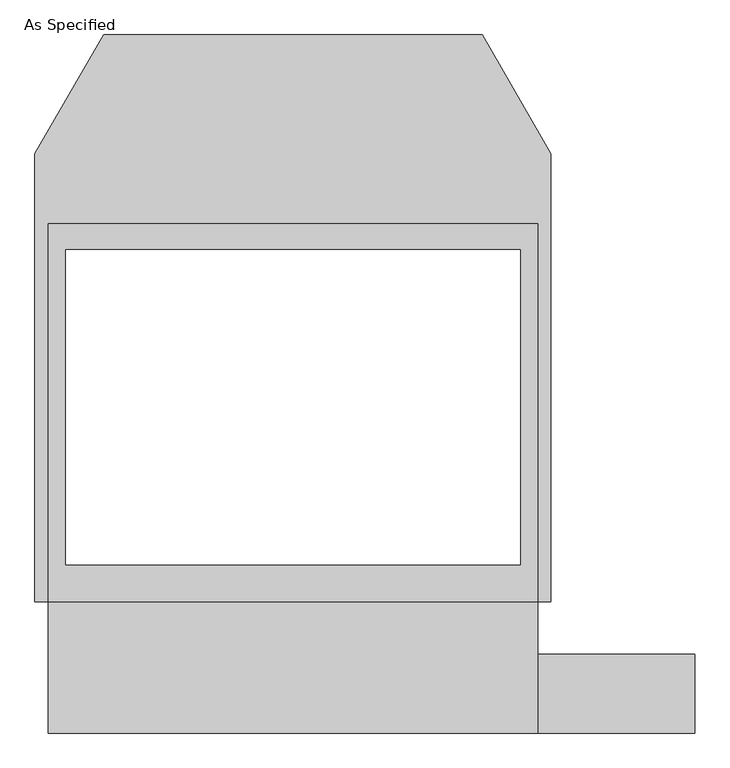
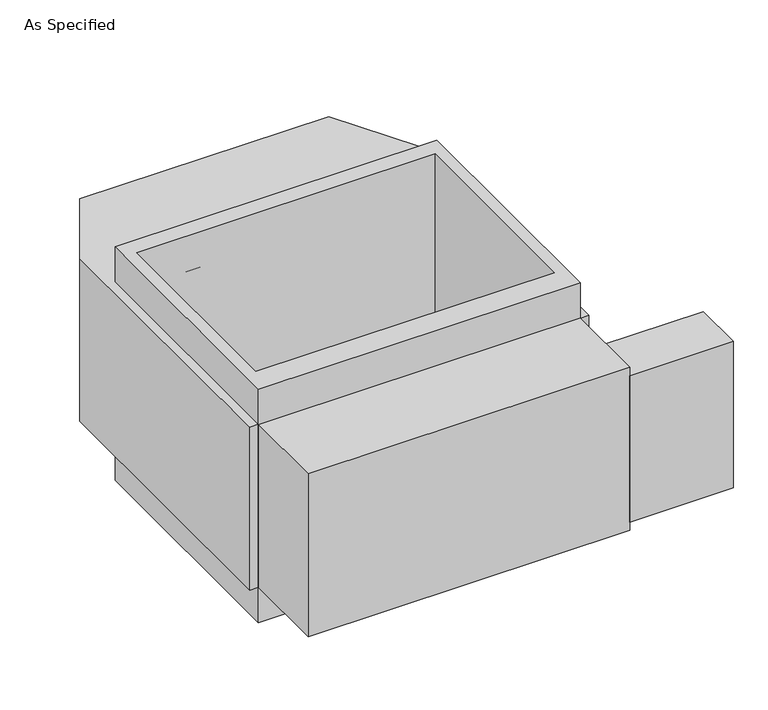
"""IFC4 building model written with IfcOpenShell, lengths in millimetres: proxy geometry, As Specified."""

from ifc_helpers import new_model, si_unit, frame, origin, place, context, project, spatial, polyline, outline, extrude, source, transform, mapped, element, save


def as_specified_d1ea47fd(model_context):
    return source(origin(), model_context, "Body", "SweptSolid", [
        extrude(outline(polyline([(711.2, -1014.1148438), (711.2, -785.5148438), (1168.4, -785.5148438), (1168.4, -1014.1148438), (711.2, -1014.1148438)])), frame((0.0, 0.0, -749.3), z_axis=(0.0, 0.0, 1.0), x_axis=(1.0, 0.0, 0.0)), (0.0, 0.0, 1.0), 685.8),
        extrude(outline(polyline([(711.2, 465.4351562), (711.2, -633.1148438), (-711.2, -633.1148438), (-711.2, 465.4351562), (711.2, 465.4351562)]), holes=[polyline([(-660.4, 389.2748437), (-660.4, -525.1251563), (660.4, -525.1251563), (660.4, 389.2748437), (-660.4, 389.2748437)])]), frame((0.0, 0.0, -952.5), z_axis=(0.0, 0.0, 1.0), x_axis=(1.0, 0.0, 0.0)), (0.0, 0.0, 1.0), 1092.2),
        extrude(outline(polyline([(711.2, -1014.1148438), (-711.2, -1014.1148438), (-711.2, -633.1148438), (-749.3, -633.1148438), (-749.3, 668.6748437), (-549.860123, 1014.1148437), (549.860123, 1014.1148437), (749.3, 668.6748437), (749.3, -633.1148438), (711.2, -633.1148438), (711.2, -1014.1148438)]), holes=[polyline([(660.4, -525.1251563), (660.4, 389.2748437), (-660.4, 389.2748437), (-660.4, -525.1251563), (660.4, -525.1251563)])]), frame((0.0, 0.0, -787.4), z_axis=(0.0, 0.0, 1.0), x_axis=(1.0, 0.0, 0.0)), (0.0, 0.0, 1.0), 762.0),
    ])


if __name__ == "__main__":
    model = new_model("IFC4")
    model_context = context("Model", 3, world=origin())
    ifc_project = project(units=[si_unit("LENGTHUNIT", "METRE", prefix="MILLI")], contexts=[model_context])
    site = spatial("IfcSite", under=ifc_project)
    building = spatial("IfcBuilding", under=site)
    placement = place(None, origin())
    as_specified_shape = as_specified_d1ea47fd(model_context)
    element("IfcBuildingElementProxy", 1, Name="As Specified", ObjectType="As Specified", at=placement, inside=building, context=model_context, shape_type="MappedRepresentation", body=[
        mapped(as_specified_shape, transform((0.0, 0.0, 0.0), x_axis=(1.0, 0.0, 0.0), y_axis=(0.0, 1.0, 0.0), z_axis=(0.0, 0.0, 1.0))),
    ])
    save(model, "model.ifc")
